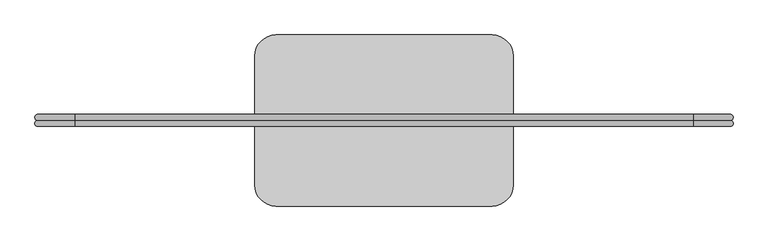
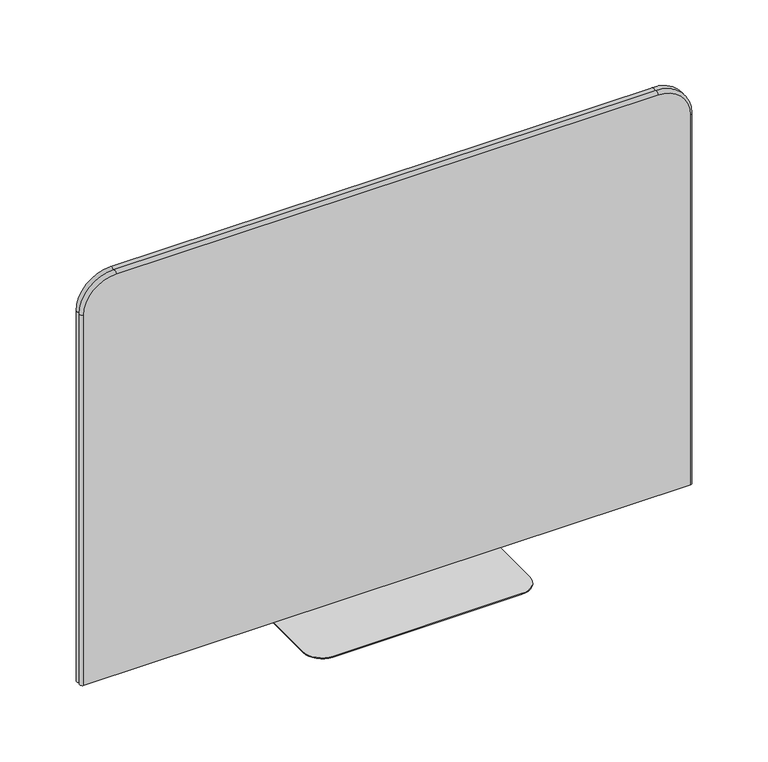
"""IFC4 building model written with IfcOpenShell, lengths in millimetres: furniture geometry."""

from ifc_helpers import new_model, si_unit, point, frame, frame_2d, origin, origin_with_axes, place, context, project, spatial, polyline, circle_curve, ellipse_curve, trimmed, segment, composite_curve, outline, extrude, source, transform, mapped, element, save
from ifc_brep_helpers import plane_surface, cylinder_surface, revolved_surface, advanced_brep


def furniture_ebbb761a(model_context):
    return source(origin(), model_context, "Body", "SolidModel", [
        advanced_brep(
        [(991.5042664, -54.7578317, 3.0), (991.5042664, -72.0728847, 3.0), (991.467119, -89.3879376, 3.0), (-991.467119, -89.3879376, 3.0), (-991.467119, -72.0728847, 3.0), (-991.5042664, -54.7578317, 3.0), (-991.5042664, -54.7578317, 1282.7), (-885.825, -54.7578317, 1388.3792664), (885.825, -54.7578317, 1388.3792664), (991.5042664, -54.7578317, 1282.7), (991.467119, -89.3879376, 1282.7), (885.825, -89.3879376, 1388.342119), (-885.825, -89.3879376, 1388.342119), (-991.467119, -89.3879376, 1282.7), (-991.467119, -72.0728847, 1282.7), (-885.825, -72.0728847, 1388.342119), (885.825, -72.0728847, 1388.342119), (991.467119, -72.0728847, 1282.7)],
        [
            (0, 1, circle_curve(frame((991.5042664, -63.4153582, 3.0), z_axis=(0.0, 0.0, -1.0), x_axis=(1.0, 0.0, 0.0)), 8.6575265)),
            (1, 2, circle_curve(frame((991.467119, -80.7304112, 3.0), z_axis=(0.0, 0.0, -1.0), x_axis=(1.0, 0.0, 0.0)), 8.6575265)),
            (2, 3),
            (3, 4, circle_curve(frame((-991.467119, -80.7304112, 3.0), z_axis=(0.0, 0.0, -1.0), x_axis=(-1.0, 0.0, 0.0)), 8.6575265)),
            (4, 5, circle_curve(frame((-991.5042664, -63.4153582, 3.0), z_axis=(0.0, 0.0, -1.0), x_axis=(-1.0, 0.0, 0.0)), 8.6575265)),
            (5, 0),
            (5, 6),
            (6, 7, circle_curve(frame((-885.825, -54.7578317, 1282.7), z_axis=(0.0, 1.0, 0.0), x_axis=(-1.0, 0.0, 0.0)), 105.6792664)),
            (7, 8),
            (8, 9, circle_curve(frame((885.825, -54.7578317, 1282.7), z_axis=(0.0, 1.0, 0.0), x_axis=(0.0, 0.0, 1.0)), 105.6792664)),
            (9, 0),
            (2, 10),
            (10, 11, circle_curve(frame((885.825, -89.3879376, 1282.7), z_axis=(0.0, -1.0, 0.0), x_axis=(0.0, 0.0, 1.0)), 105.642119)),
            (11, 12),
            (12, 13, circle_curve(frame((-885.825, -89.3879376, 1282.7), z_axis=(0.0, -1.0, 0.0), x_axis=(-1.0, 0.0, 0.0)), 105.642119)),
            (13, 3),
            (13, 14, circle_curve(frame((-991.467119, -80.7304112, 1282.7), z_axis=(0.0, 0.0, -1.0), x_axis=(-1.0, 0.0, 0.0)), 8.6575265)),
            (14, 4),
            (14, 6, circle_curve(frame((-991.5042664, -63.4153582, 1282.7), z_axis=(0.0, 0.0, -1.0), x_axis=(-1.0, 0.0, 0.0)), 8.6575265)),
            (12, 15, circle_curve(frame((-885.825, -80.7304112, 1388.342119), z_axis=(-1.0, 0.0, 0.0), x_axis=(0.0, 0.0, 1.0)), 8.6575265)),
            (15, 14, circle_curve(frame((-885.825, -72.0728847, 1282.7), z_axis=(0.0, -1.0, 0.0), x_axis=(-1.0, 0.0, 0.0)), 105.642119)),
            (15, 7, circle_curve(frame((-885.825, -63.4153582, 1388.3792664), z_axis=(-1.0, 0.0, 0.0), x_axis=(0.0, 0.0, 1.0)), 8.6575265)),
            (11, 16, circle_curve(frame((885.825, -80.7304112, 1388.342119), z_axis=(-1.0, 0.0, 0.0), x_axis=(0.0, 0.0, 1.0)), 8.6575265)),
            (16, 15),
            (16, 8, circle_curve(frame((885.825, -63.4153582, 1388.3792664), z_axis=(-1.0, 0.0, 0.0), x_axis=(0.0, 0.0, 1.0)), 8.6575265)),
            (10, 17, circle_curve(frame((991.467119, -80.7304112, 1282.7), z_axis=(0.0, 0.0, 1.0), x_axis=(1.0, 0.0, 0.0)), 8.6575265)),
            (17, 16, circle_curve(frame((885.825, -72.0728847, 1282.7), z_axis=(0.0, -1.0, 0.0), x_axis=(0.0, 0.0, 1.0)), 105.642119)),
            (17, 9, circle_curve(frame((991.5042664, -63.4153582, 1282.7), z_axis=(0.0, 0.0, 1.0), x_axis=(1.0, 0.0, 0.0)), 8.6575265)),
            (1, 17),
        ],
        [
            plane_surface(frame((-969.9625, -72.0728847, 3.0), z_axis=(0.0, 0.0, -1.0), x_axis=(0.0, -1.0, 0.0))),
            plane_surface(frame((-991.5042664, -54.7578317, 3.0), z_axis=(0.0, 1.0, 0.0), x_axis=(0.0, 0.0, 1.0))),
            plane_surface(frame((-969.9625, -89.3879376, 3.0), z_axis=(0.0, -1.0, 0.0), x_axis=(0.0, 0.0, 1.0))),
            cylinder_surface(frame((-991.467119, -80.7304112, 3.0), z_axis=(0.0, 0.0, -1.0), x_axis=(-1.0, 0.0, 0.0)), 8.6575265),
            cylinder_surface(frame((-991.5042664, -63.4153582, 3.0), z_axis=(0.0, 0.0, -1.0), x_axis=(-1.0, 0.0, 0.0)), 8.6575265),
            revolved_surface(trimmed(ellipse_curve(frame((-991.467119, -80.7304112, 1282.7), z_axis=(0.0, 0.0, -1.0), x_axis=(-1.0, 0.0, 0.0)), 8.6575265, 8.6575265), [point((-991.467119, -89.3879376, 1282.7))], [point((-991.467119, -72.0728847, 1282.7))], True, "CARTESIAN"), (-885.825, -72.0728847, 1282.7), (0.0, 1.0, 0.0)),
            revolved_surface(trimmed(ellipse_curve(frame((-991.5042664, -63.4153582, 1282.7), z_axis=(0.0, 0.0, -1.0), x_axis=(-1.0, 0.0, 0.0)), 8.6575265, 8.6575265), [point((-991.5042664, -72.0728847, 1282.7))], [point((-991.5042664, -54.7578317, 1282.7))], True, "CARTESIAN"), (-885.825, -72.0728847, 1282.7), (0.0, 1.0, 0.0)),
            cylinder_surface(frame((-885.825, -80.7304112, 1388.342119), z_axis=(-1.0, 0.0, 0.0), x_axis=(0.0, 0.0, 1.0)), 8.6575265),
            cylinder_surface(frame((-885.825, -63.4153582, 1388.3792664), z_axis=(-1.0, 0.0, 0.0), x_axis=(0.0, 0.0, 1.0)), 8.6575265),
            revolved_surface(trimmed(ellipse_curve(frame((885.825, -80.7304112, 1388.342119), z_axis=(-1.0, 0.0, 0.0), x_axis=(0.0, 0.0, 1.0)), 8.6575265, 8.6575265), [point((885.825, -89.3879376, 1388.342119))], [point((885.825, -72.0728847, 1388.342119))], True, "CARTESIAN"), (885.825, -72.0728847, 1282.7), (0.0, 1.0, 0.0)),
            revolved_surface(trimmed(ellipse_curve(frame((885.825, -63.4153582, 1388.3792664), z_axis=(-1.0, 0.0, 0.0), x_axis=(0.0, 0.0, 1.0)), 8.6575265, 8.6575265), [point((885.825, -72.0728847, 1388.3792664))], [point((885.825, -54.7578317, 1388.3792664))], True, "CARTESIAN"), (885.825, -72.0728847, 1282.7), (0.0, 1.0, 0.0)),
            cylinder_surface(frame((991.467119, -80.7304112, 1282.7), z_axis=(0.0, 0.0, 1.0), x_axis=(1.0, 0.0, 0.0)), 8.6575265),
            cylinder_surface(frame((991.5042664, -63.4153582, 1282.7), z_axis=(0.0, 0.0, 1.0), x_axis=(1.0, 0.0, 0.0)), 8.6575265),
        ],
        [
            (0, [[1, 2, 3, 4, 5, 6]]),
            (1, [[-6, 7, 8, 9, 10, 11]]),
            (2, [[-3, 12, 13, 14, 15, 16]]),
            (3, [[-4, -16, 17, 18]]),
            (4, [[-5, -18, 19, -7]]),
            (5, [[-15, 20, 21, -17]]),
            (6, [[-8, -19, -21, 22]]),
            (7, [[-14, 23, 24, -20]]),
            (8, [[-9, -22, -24, 25]]),
            (9, [[-13, 26, 27, -23]]),
            (10, [[-10, -25, -27, 28]]),
            (11, [[-12, -2, 29, -26]]),
            (12, [[-11, -28, -29, -1]]),
        ],
    ),
        extrude(outline(composite_curve([segment(trimmed(circle_curve(frame_2d((309.626, 112.5851153)), 60.325), [point((309.626, 172.9101153))], [point((369.951, 112.5851153))], False, "CARTESIAN"), True, "CONTINUOUS"), segment(polyline([(369.951, 112.5851153), (369.951, -256.7308847)]), True, "CONTINUOUS"), segment(trimmed(circle_curve(frame_2d((309.626, -256.7308847)), 60.325), [point((369.951, -256.7308847))], [point((309.626, -317.0558847))], False, "CARTESIAN"), True, "CONTINUOUS"), segment(polyline([(309.626, -317.0558847), (-309.626, -317.0558847)]), True, "CONTINUOUS"), segment(trimmed(circle_curve(frame_2d((-309.626, -256.7308847)), 60.325), [point((-309.626, -317.0558847))], [point((-369.951, -256.7308847))], False, "CARTESIAN"), True, "CONTINUOUS"), segment(polyline([(-369.951, -256.7308847), (-369.951, 112.5851153)]), True, "CONTINUOUS"), segment(trimmed(circle_curve(frame_2d((-309.626, 112.5851153)), 60.325), [point((-369.951, 112.5851153))], [point((-309.626, 172.9101153))], False, "CARTESIAN"), True, "CONTINUOUS"), segment(polyline([(-309.626, 172.9101153), (309.626, 172.9101153)]), True, "CONTINUOUS")], self_intersect=False)), origin_with_axes(), (0.0, 0.0, 1.0), 3.0),
    ])


if __name__ == "__main__":
    model = new_model("IFC4")
    model_context = context("Model", 3, world=origin())
    ifc_project = project(units=[si_unit("LENGTHUNIT", "METRE", prefix="MILLI")], contexts=[model_context])
    site = spatial("IfcSite", under=ifc_project)
    building = spatial("IfcBuilding", under=site)
    placement = place(None, origin())
    furniture_shape = furniture_ebbb761a(model_context)
    element("IfcFurniture", 1, at=placement, inside=building, context=model_context, shape_type="MappedRepresentation", body=[
        mapped(furniture_shape, transform((0.0, 0.0, 0.0), x_axis=(1.0, 0.0, 0.0), y_axis=(0.0, 1.0, 0.0), z_axis=(0.0, 0.0, 1.0))),
    ])
    save(model, "model.ifc")
